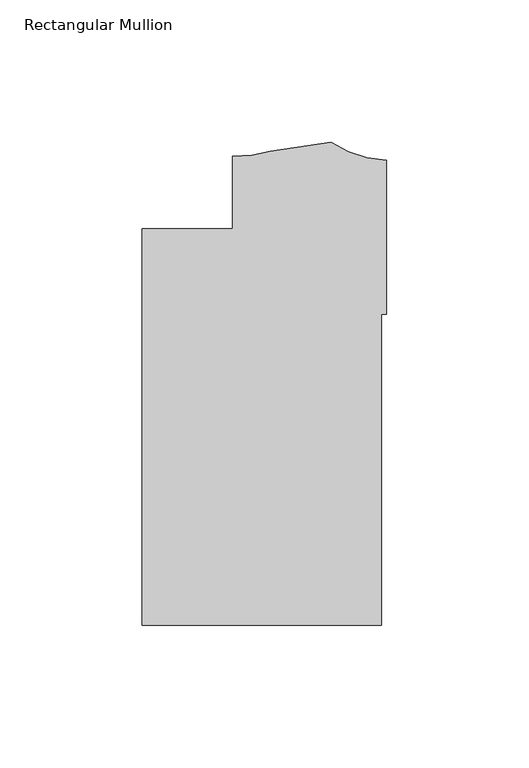
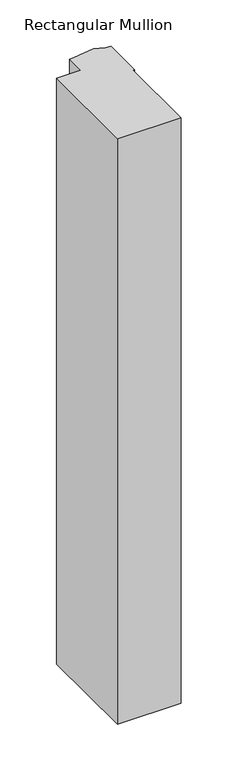
"""IFC4 building model written with IfcOpenShell, lengths in millimetres: member geometry, Rectangular Mullion."""

from ifc_helpers import new_model, si_unit, point, frame, frame_2d, origin, place, context, project, spatial, polyline, circle_curve, trimmed, segment, composite_curve, outline, extrude, source, transform, mapped, element, save


def rectangular_mullion_c594e1db(model_context):
    return source(origin(), model_context, "Body", "SweptSolid", [
        extrude(outline(composite_curve([segment(polyline([(-85.8370969, -12.557125), (-54.0870969, -12.557125), (-54.0870969, 12.8428728)]), True, "CONTINUOUS"), segment(trimmed(circle_curve(frame_2d((-53.2410377, 56.8266605)), 43.9919242), [point((-54.0870969, 12.8428728))], [point((-40.7045247, 14.6588382))], True, "CARTESIAN"), True, "CONTINUOUS"), segment(trimmed(circle_curve(frame_2d((-48.5375949, 141.418602)), 127.0015539), [point((-40.7045247, 14.6588382))], [point((-19.5523137, 17.7689025))], True, "CARTESIAN"), True, "CONTINUOUS"), segment(trimmed(circle_curve(frame_2d((1.9614918, 50.8236775)), 39.4393455), [point((-19.5523137, 17.7689025))], [point((0.0, 11.433139))], True, "CARTESIAN"), True, "CONTINUOUS"), segment(polyline([(0.0, 11.433139), (0.0, -42.597391), (-1.8773984, -42.597391), (-1.8773984, -151.749125), (-85.8370969, -151.749125), (-85.8370969, -12.557125)]), True, "CONTINUOUS")], self_intersect=False)), frame((0.0, 0.0, -819.150004), z_axis=(0.0, 0.0, 1.0), x_axis=(1.0, 0.0, 0.0)), (0.0, 0.0, 1.0), 819.150004),
    ])


if __name__ == "__main__":
    model = new_model("IFC4")
    model_context = context("Model", 3, world=origin())
    ifc_project = project(units=[si_unit("LENGTHUNIT", "METRE", prefix="MILLI")], contexts=[model_context])
    site = spatial("IfcSite", under=ifc_project)
    building = spatial("IfcBuilding", under=site)
    placement = place(None, origin())
    rectangular_mullion_shape = rectangular_mullion_c594e1db(model_context)
    element("IfcMember", 1, ObjectType="Rectangular Mullion", at=placement, inside=building, context=model_context, shape_type="MappedRepresentation", body=[
        mapped(rectangular_mullion_shape, transform((0.0, 0.0, 0.0), x_axis=(1.0, 0.0, 0.0), y_axis=(0.0, 1.0, 0.0), z_axis=(0.0, 0.0, 1.0))),
    ])
    save(model, "model.ifc")
